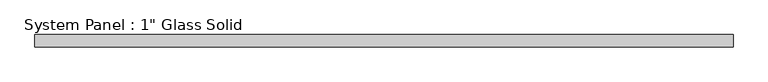
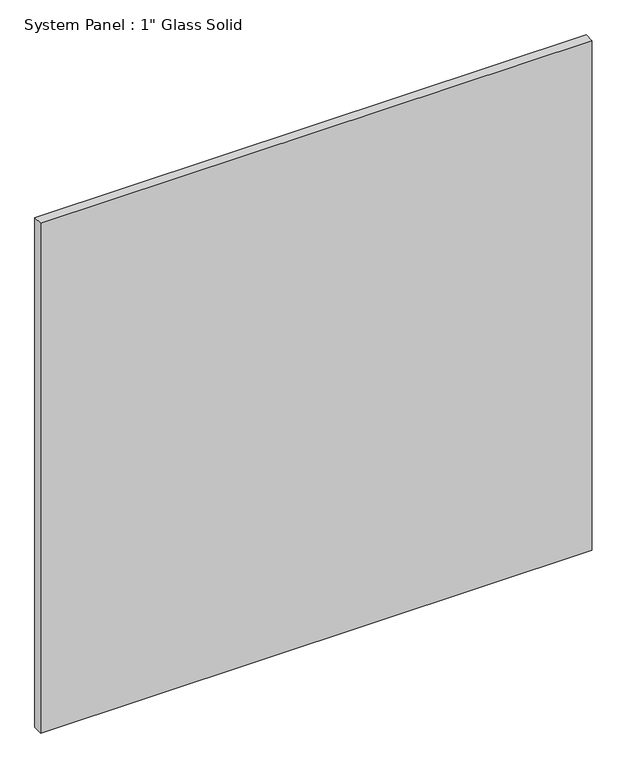
"""IFC4 building model written with IfcOpenShell, lengths in millimetres: plate geometry."""

from ifc_helpers import new_model, si_unit, origin, origin_with_axes, place, context, project, spatial, polyline, outline, extrude, source, transform, mapped, element, save


def plate_ebc64e8c(model_context):
    return source(origin(), model_context, "Body", "SweptSolid", [
        extrude(outline(polyline([(706.4889199, -12.7), (-706.4889199, -12.7), (-706.4889199, 12.7), (706.4889199, 12.7), (706.4889199, -12.7)])), origin_with_axes(), (0.0, 0.0, 1.0), 1380.2224231),
    ])


if __name__ == "__main__":
    model = new_model("IFC4")
    model_context = context("Model", 3, world=origin())
    ifc_project = project(units=[si_unit("LENGTHUNIT", "METRE", prefix="MILLI")], contexts=[model_context])
    site = spatial("IfcSite", under=ifc_project)
    building = spatial("IfcBuilding", under=site)
    placement = place(None, origin())
    plate_shape = plate_ebc64e8c(model_context)
    element("IfcPlate", 1, ObjectType="System Panel : 1\" Glass Solid", at=placement, inside=building, context=model_context, shape_type="MappedRepresentation", body=[
        mapped(plate_shape, transform((0.0, 0.0, 0.0), x_axis=(1.0, 0.0, 0.0), y_axis=(0.0, 1.0, 0.0), z_axis=(0.0, 0.0, 1.0))),
    ])
    save(model, "model.ifc")
